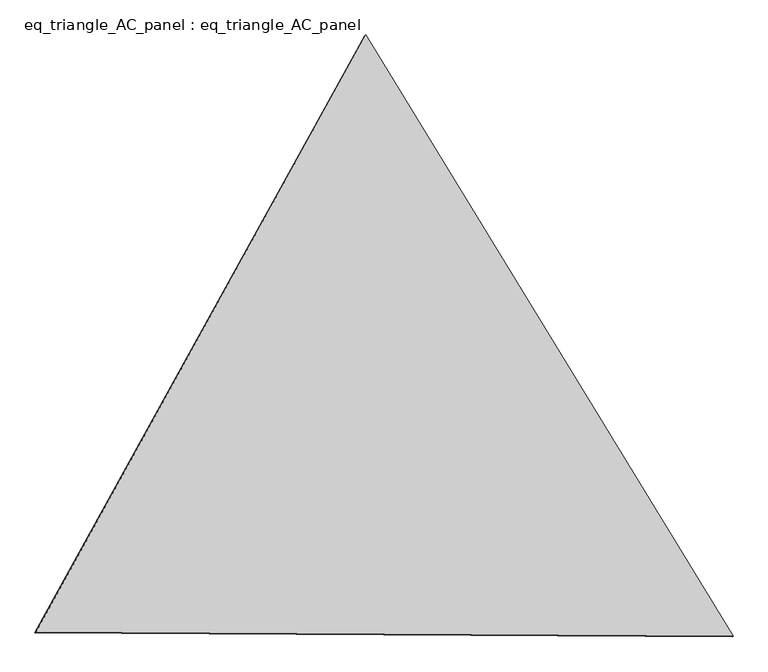
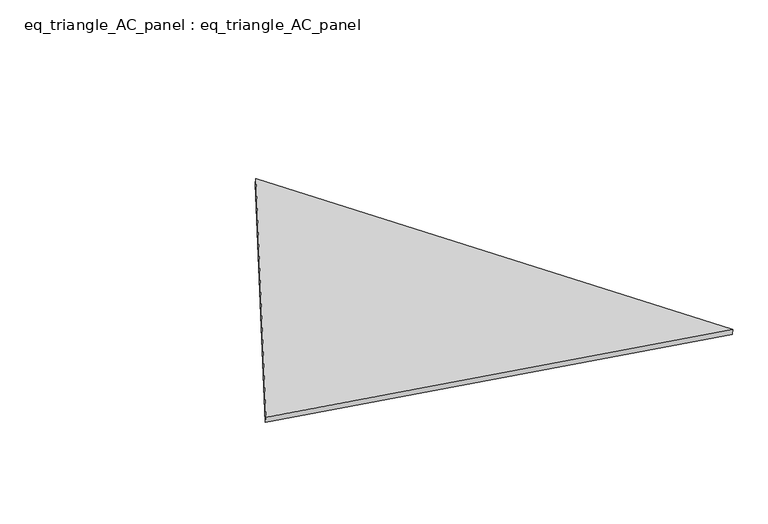
"""IFC4 building model written with IfcOpenShell, lengths in millimetres: proxy geometry, eq_triangle_AC_panel : eq_triangle_AC_panel."""

from ifc_helpers import new_model, si_unit, frame, origin, place, context, project, spatial, polyline, outline, extrude, source, transform, mapped, element, save


def eq_triangle_ac_panel_eq_triangle_ac_panel_1e01dff9(model_context):
    return source(origin(), model_context, "Body", "SweptSolid", [
        extrude(outline(polyline([(-2032.8306629, 1173.1700195), (2091.2842303, 1173.1700196), (-58.4535675, -2346.3400391), (-2032.8306629, 1173.1700195)])), frame((0.0038051, 527.9290861, 89.8240019), z_axis=(0.1452632851805292, 0.08386570281792664, 0.9858321976226054), x_axis=(0.5211103640698851, -0.8534790669542388, -0.004179800219392969)), (0.0, 0.0, 1.0), 43.8306294),
    ])


if __name__ == "__main__":
    model = new_model("IFC4")
    model_context = context("Model", 3, world=origin())
    ifc_project = project(units=[si_unit("LENGTHUNIT", "METRE", prefix="MILLI")], contexts=[model_context])
    site = spatial("IfcSite", under=ifc_project)
    building = spatial("IfcBuilding", under=site)
    placement = place(None, origin())
    eq_triangle_ac_panel_eq_triangle_ac_panel_shape = eq_triangle_ac_panel_eq_triangle_ac_panel_1e01dff9(model_context)
    element("IfcBuildingElementProxy", 1, Name="eq_triangle_AC_panel : eq_triangle_AC_panel", ObjectType="eq_triangle_AC_panel : eq_triangle_AC_panel", at=placement, inside=building, context=model_context, shape_type="MappedRepresentation", body=[
        mapped(eq_triangle_ac_panel_eq_triangle_ac_panel_shape, transform((0.0, 0.0, 0.0), x_axis=(1.0, 0.0, 0.0), y_axis=(0.0, 1.0, 0.0), z_axis=(0.0, 0.0, 1.0))),
    ])
    save(model, "model.ifc")
